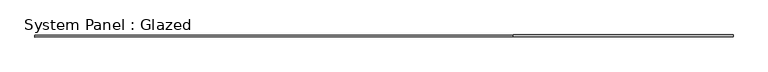
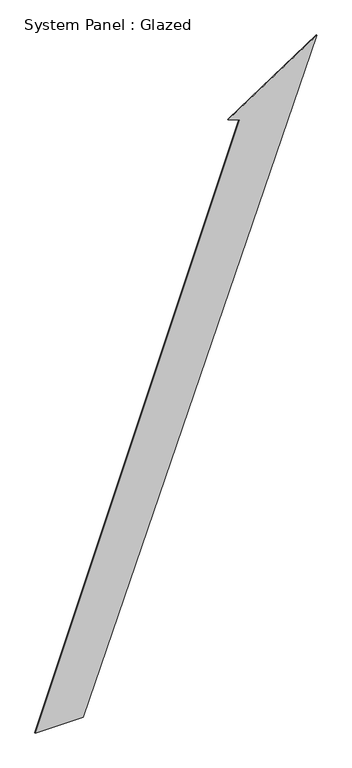
"""IFC4 building model written with IfcOpenShell, lengths in millimetres: plate geometry, System Panel : Glazed."""

from ifc_helpers import new_model, si_unit, frame, origin, place, context, project, spatial, polyline, outline, extrude, source, transform, mapped, element, save


def system_panel_glazed_fe65fd66(model_context):
    return source(origin(), model_context, "Body", "SweptSolid", [
        extrude(outline(polyline([(0.0, -4694.4975021), (0.0, -3095.0193903), (21271.8514608, 4694.4975021), (19343.5220526, 1735.0390897), (19209.929976, 2112.0711269), (0.0, -4694.4975021)])), frame((0.0, -77.5, 0.0), z_axis=(0.0, 1.0, 0.0), x_axis=(0.0, 0.0, 1.0)), (0.0, 0.0, 1.0), 25.0),
    ])


if __name__ == "__main__":
    model = new_model("IFC4")
    model_context = context("Model", 3, world=origin())
    ifc_project = project(units=[si_unit("LENGTHUNIT", "METRE", prefix="MILLI")], contexts=[model_context])
    site = spatial("IfcSite", under=ifc_project)
    building = spatial("IfcBuilding", under=site)
    placement = place(None, origin())
    system_panel_glazed_shape = system_panel_glazed_fe65fd66(model_context)
    element("IfcPlate", 1, ObjectType="System Panel : Glazed", at=placement, inside=building, context=model_context, shape_type="MappedRepresentation", body=[
        mapped(system_panel_glazed_shape, transform((0.0, 0.0, 0.0), x_axis=(1.0, 0.0, 0.0), y_axis=(0.0, 1.0, 0.0), z_axis=(0.0, 0.0, 1.0))),
    ])
    save(model, "model.ifc")
